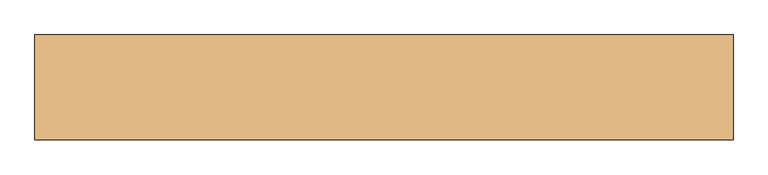
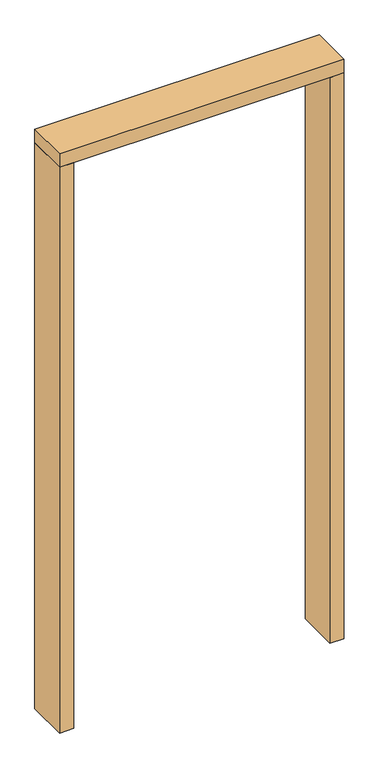
"""IFC4 building model written with IfcOpenShell, lengths in millimetres: door geometry."""

from ifc_helpers import new_model, si_unit, frame, origin, origin_with_axes, place, context, project, spatial, polyline, outline, extrude, source, transform, mapped, element, save


def door_d2a9c884(model_context):
    return source(origin(), model_context, "Body", "SweptSolid", [
        extrude(outline(polyline([(-457.2, -76.2), (-508.0, -76.2), (-508.0, 76.2), (-457.2, 76.2), (-457.2, -76.2)])), origin_with_axes(), (0.0, 0.0, 1.0), 2133.6),
        extrude(outline(polyline([(457.2, -76.2), (457.2, 76.2), (508.0, 76.2), (508.0, -76.2), (457.2, -76.2)])), origin_with_axes(), (0.0, 0.0, 1.0), 2133.6),
        extrude(outline(polyline([(508.0, 76.2), (508.0, -76.2), (-508.0, -76.2), (-508.0, 76.2), (508.0, 76.2)])), frame((0.0, 0.0, 2133.6), z_axis=(0.0, 0.0, 1.0), x_axis=(1.0, 0.0, 0.0)), (0.0, 0.0, 1.0), 50.8),
    ])


if __name__ == "__main__":
    model = new_model("IFC4")
    model_context = context("Model", 3, world=origin())
    ifc_project = project(units=[si_unit("LENGTHUNIT", "METRE", prefix="MILLI")], contexts=[model_context])
    site = spatial("IfcSite", under=ifc_project)
    building = spatial("IfcBuilding", under=site)
    placement = place(None, origin())
    door_shape = door_d2a9c884(model_context)
    element("IfcDoor", 1, at=placement, inside=building, context=model_context, shape_type="MappedRepresentation", body=[
        mapped(door_shape, transform((0.0, 0.0, 0.0), x_axis=(1.0, 0.0, 0.0), y_axis=(0.0, 1.0, 0.0), z_axis=(0.0, 0.0, 1.0))),
    ])
    save(model, "model.ifc")
